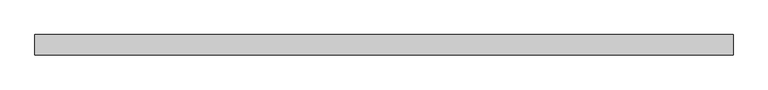
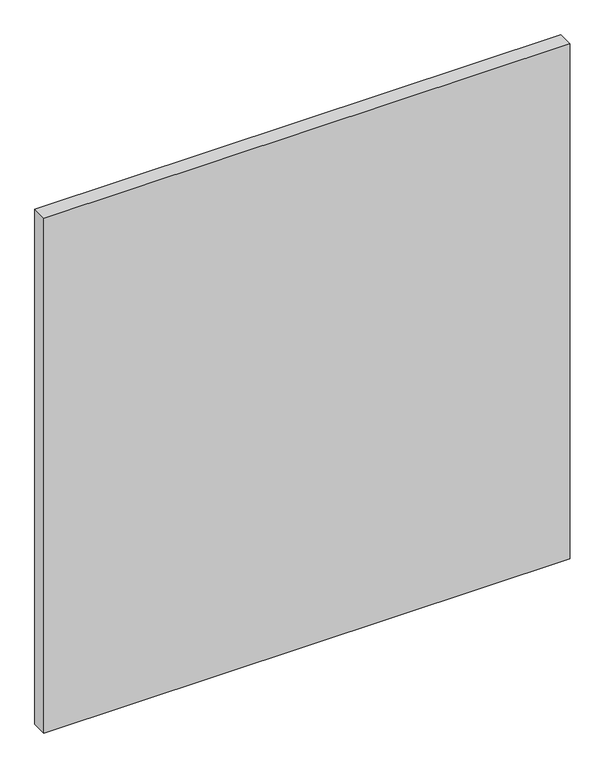
"""IFC4 building model written with IfcOpenShell, lengths in millimetres: plate geometry."""

from ifc_helpers import new_model, si_unit, origin, origin_with_axes, place, context, project, spatial, polyline, outline, extrude, source, transform, mapped, element, save


def plate_30a40bc4(model_context):
    return source(origin(), model_context, "Body", "SweptSolid", [
        extrude(outline(polyline([(549.9999998, -32.0), (-549.9999998, -32.0), (-549.9999998, 0.0), (549.9999998, 0.0), (549.9999998, -32.0)])), origin_with_axes(), (0.0, 0.0, 1.0), 1137.5),
    ])


if __name__ == "__main__":
    model = new_model("IFC4")
    model_context = context("Model", 3, world=origin())
    ifc_project = project(units=[si_unit("LENGTHUNIT", "METRE", prefix="MILLI")], contexts=[model_context])
    site = spatial("IfcSite", under=ifc_project)
    building = spatial("IfcBuilding", under=site)
    placement = place(None, origin())
    plate_shape = plate_30a40bc4(model_context)
    element("IfcPlate", 1, at=placement, inside=building, context=model_context, shape_type="MappedRepresentation", body=[
        mapped(plate_shape, transform((0.0, 0.0, 0.0), x_axis=(1.0, 0.0, 0.0), y_axis=(0.0, 1.0, 0.0), z_axis=(0.0, 0.0, 1.0))),
    ])
    save(model, "model.ifc")
